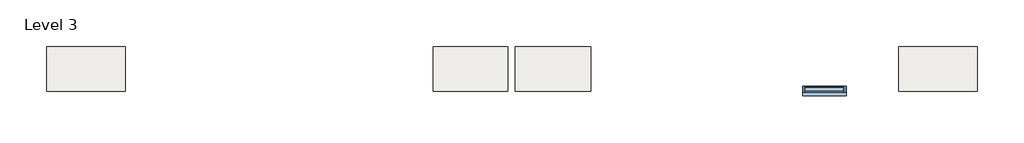
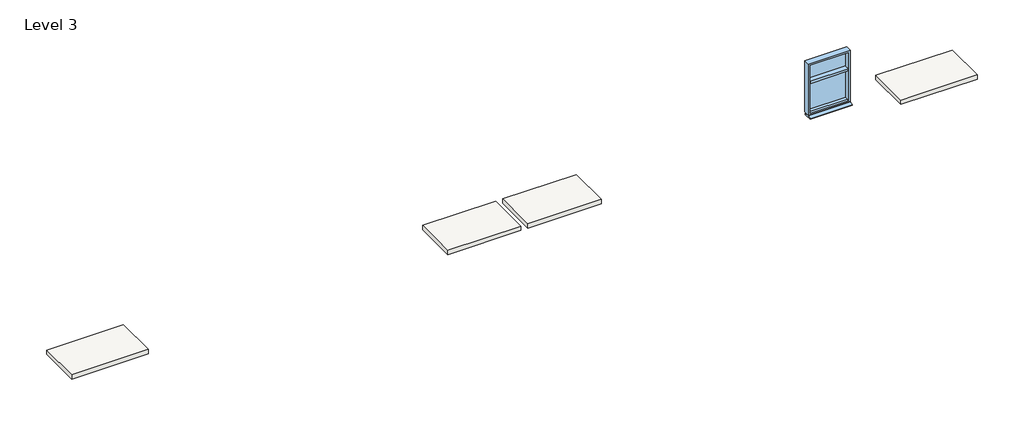
# One storey, part 2 of 3: 4 slabs, 1 window.
"""IFC4 building model written with IfcOpenShell, lengths in millimetres."""

import ifcopenshell
import ifcopenshell.guid

model = None  # the IFC model being written
_history = None  # IfcOwnerHistory: only IFC2X3 demands one
_inside = {}  # id of a spatial element -> (the spatial element, [elements in it])
_under = {}  # id of a project, library or spatial element -> (it, [spatial elements below it])
_declared = {}  # id of a project -> (the project, [libraries it declares])
_typed = {}  # id of a type object -> (the type object, [elements of that type])
_made_of = {}  # id of a material, layer set ... -> (it, [elements and type objects made of it])


def new_model(schema):
    """Start an empty IFC model of exactly this schema.

    Asked for "IFC4X3", IfcOpenShell would pick the latest addendum, in which some entities
    have other attributes; the version numbers below select the first issue.
    IFC2X3 requires an IfcOwnerHistory on every rooted entity: one is made here for all.
    """
    global model, _history
    if schema == "IFC4X3":
        model = ifcopenshell.file(schema_version=(4, 3, 0, 0))
    else:
        model = ifcopenshell.file(schema=schema)
    _inside.clear()
    _under.clear()
    _declared.clear()
    _typed.clear()
    _made_of.clear()
    _history = None
    if model.schema == "IFC2X3":
        org = make("IfcOrganization", Name="unknown")
        user = make(
            "IfcPersonAndOrganization",
            ThePerson=make("IfcPerson", FamilyName="unknown"),
            TheOrganization=org,
        )
        app = make(
            "IfcApplication",
            ApplicationDeveloper=org,
            Version="unknown",
            ApplicationFullName="unknown",
            ApplicationIdentifier="unknown",
        )
        _history = make(
            "IfcOwnerHistory",
            OwningUser=user,
            OwningApplication=app,
            ChangeAction="ADDED",
            CreationDate=0,
        )
    return model


def make(cls, **values):
    """One entity of the class cls with the attributes given. An attribute that is None is left unset."""
    return model.create_entity(
        cls, **{name: value for name, value in values.items() if value is not None}
    )


def rooted(cls, **values):
    """An entity with a GlobalId (a new one), such as an element, a storey or a relation."""
    return make(cls, GlobalId=ifcopenshell.guid.new(), OwnerHistory=_history, **values)


def si_unit(unit_type, name, prefix=None):
    """IfcSIUnit, for example si_unit("LENGTHUNIT", "METRE", prefix="MILLI")."""
    return make("IfcSIUnit", UnitType=unit_type, Prefix=prefix, Name=name)


def assignment(units):
    """IfcUnitAssignment: the units of a project."""
    return None if units is None else make("IfcUnitAssignment", Units=units)


def point(xyz):
    """IfcCartesianPoint."""
    return None if xyz is None else make("IfcCartesianPoint", Coordinates=xyz)


def direction(xyz):
    """IfcDirection."""
    return None if xyz is None else make("IfcDirection", DirectionRatios=xyz)


def frame(location, z_axis=None, x_axis=None):
    """IfcAxis2Placement3D, a coordinate frame: its origin and axes. An axis left out is left unset."""
    return make(
        "IfcAxis2Placement3D",
        Location=point(location),
        Axis=direction(z_axis),
        RefDirection=direction(x_axis),
    )


def origin():
    """The frame at (0, 0, 0) with its axes left unset."""
    return frame((0.0, 0.0, 0.0))


def place(relative_to, where):
    """IfcLocalPlacement: puts the frame where relative to a parent placement (None: the world)."""
    return make(
        "IfcLocalPlacement", PlacementRelTo=relative_to, RelativePlacement=where
    )


def context(
    kind, dimensions, precision=None, world=None, true_north=None, identifier=None
):
    """IfcGeometricRepresentationContext, for example the 3D "Model" context."""
    return make(
        "IfcGeometricRepresentationContext",
        ContextIdentifier=identifier,
        ContextType=kind,
        CoordinateSpaceDimension=dimensions,
        Precision=precision,
        WorldCoordinateSystem=world,
        TrueNorth=true_north,
    )


def project(units=None, contexts=None):
    """IfcProject with its units and contexts."""
    return rooted(
        "IfcProject",
        Name="project",
        RepresentationContexts=contexts,
        UnitsInContext=assignment(units),
    )


def spatial(cls, under=None, at=None, **own):
    """A site, building, storey or space (cls), placed at a placement, below another one or the project."""
    s = rooted(cls, ObjectPlacement=at, **own)
    if under is not None:
        _under.setdefault(under.id(), (under, []))[1].append(s)
    return s


def polyline(points):
    """IfcPolyline through the points."""
    return make("IfcPolyline", Points=[point(p) for p in points])


def outline(outer, holes=None, kind="AREA"):
    """IfcArbitraryClosedProfileDef: a profile drawn as a closed curve; with holes, ...WithVoids."""
    if holes is None:
        return make("IfcArbitraryClosedProfileDef", ProfileType=kind, OuterCurve=outer)
    return make(
        "IfcArbitraryProfileDefWithVoids",
        ProfileType=kind,
        OuterCurve=outer,
        InnerCurves=holes,
    )


def extrude(swept, where, along, depth):
    """IfcExtrudedAreaSolid: the profile swept, set in the frame where, extruded along a direction by depth."""
    return make(
        "IfcExtrudedAreaSolid",
        SweptArea=swept,
        Position=where,
        ExtrudedDirection=direction(along),
        Depth=depth,
    )


def faces_of(points, faces, orient=None, outer=None):
    """IfcFace entities. A face is a list of loops; a loop is a list of indices into points, from 0.

    orient and outer hold one flag for each loop. By default every Orientation is true, the
    first loop of a face is its IfcFaceOuterBound and the others are IfcFaceBound.
    """
    made = []
    for i, loops in enumerate(faces):
        bounds = []
        for j, loop in enumerate(loops):
            is_outer = j == 0 if outer is None else outer[i][j]
            bounds.append(
                make(
                    "IfcFaceOuterBound" if is_outer else "IfcFaceBound",
                    Bound=make("IfcPolyLoop", Polygon=[points[k] for k in loop]),
                    Orientation=True if orient is None else orient[i][j],
                )
            )
        made.append(make("IfcFace", Bounds=bounds))
    return made


def faceted_brep(points, faces, orient=None, outer=None, voids=None):
    """IfcFacetedBrep: a solid bounded by flat faces; with voids (closed shells), ...WithVoids."""
    shared = [point(p) for p in points]
    hull = make("IfcClosedShell", CfsFaces=faces_of(shared, faces, orient, outer))
    if voids is None:
        return make("IfcFacetedBrep", Outer=hull)
    return make(
        "IfcFacetedBrepWithVoids",
        Outer=hull,
        Voids=[
            make(cls, CfsFaces=faces_of(shared, fs, o, b)) for cls, fs, o, b in voids
        ],
    )


def shape(context_of_items, identifier, shape_type, items):
    """IfcShapeRepresentation: the items that make up one representation, for example the "Body"."""
    return make(
        "IfcShapeRepresentation",
        ContextOfItems=context_of_items,
        RepresentationIdentifier=identifier,
        RepresentationType=shape_type,
        Items=items,
    )


def source(mapping_origin, context_of_items, identifier, shape_type, items):
    """IfcRepresentationMap: a shape defined once, which mapped items show again and again."""
    return make(
        "IfcRepresentationMap",
        MappingOrigin=mapping_origin,
        MappedRepresentation=shape(context_of_items, identifier, shape_type, items),
    )


def transform(
    local_origin,
    x_axis=None,
    y_axis=None,
    z_axis=None,
    scale=None,
    scale2=None,
    scale3=None,
    uniform=True,
):
    """IfcCartesianTransformationOperator3D, or its non-uniform kind. x_axis, y_axis, z_axis: its Axis1, 2, 3."""
    if uniform:
        return make(
            "IfcCartesianTransformationOperator3D",
            Axis1=direction(x_axis),
            Axis2=direction(y_axis),
            LocalOrigin=point(local_origin),
            Scale=scale,
            Axis3=direction(z_axis),
        )
    return make(
        "IfcCartesianTransformationOperator3DnonUniform",
        Axis1=direction(x_axis),
        Axis2=direction(y_axis),
        LocalOrigin=point(local_origin),
        Scale=scale,
        Axis3=direction(z_axis),
        Scale2=scale2,
        Scale3=scale3,
    )


def mapped(mapping_source, mapping_target):
    """IfcMappedItem: shows the shape of a source again, moved by a transform."""
    return make(
        "IfcMappedItem", MappingSource=mapping_source, MappingTarget=mapping_target
    )


def made_of(thing, what):
    """Note that an element or type object is made of a material, layer set ...; save() writes the relation."""
    if what is not None:
        _made_of.setdefault(what.id(), (what, []))[1].append(thing)
    return thing


def element(
    cls,
    number,
    at=None,
    inside=None,
    cuts=None,
    type_object=None,
    material=None,
    context=None,
    identifier="Body",
    shape_type=None,
    held_by="IfcProductDefinitionShape",
    body=None,
    shapes=None,
    **own,
):
    """One element of the class cls, such as IfcWall. Its Tag is "e" and its number.

    at: its placement. inside: the storey or other place that contains it. cuts: it is an
    opening in that element (IfcRelVoidsElement). A single representation is given by context,
    identifier, shape_type and body (its items); several are given by shapes. held_by: the class
    of the entity that holds the representations. save() writes the other relations.
    """
    e = rooted(cls, Tag="e%d" % number, ObjectPlacement=at, **own)
    if body is not None:
        shapes = [shape(context, identifier, shape_type, body)]
    if shapes is not None:
        e.Representation = make(held_by, Representations=shapes)
    if inside is not None:
        _inside.setdefault(inside.id(), (inside, []))[1].append(e)
    if cuts is not None:
        rooted(
            "IfcRelVoidsElement", RelatingBuildingElement=cuts, RelatedOpeningElement=e
        )
    if type_object is not None:
        _typed.setdefault(type_object.id(), (type_object, []))[1].append(e)
    return made_of(e, material)


def aggregate(whole, parts):
    """IfcRelAggregates: a whole, such as a stair, and the parts it consists of."""
    return rooted("IfcRelAggregates", RelatingObject=whole, RelatedObjects=parts)


def save(model, path):
    """Write the relations noted so far, then the file.

    IfcRelAggregates (storeys below a building ...), IfcRelContainedInSpatialStructure (elements
    in a storey), IfcRelDefinesByType, IfcRelAssociatesMaterial and IfcRelDeclares: one each for
    every whole, place, type object, material and project.
    """
    for whole, parts in _under.values():
        aggregate(whole, parts)
    for where, things in _inside.values():
        rooted(
            "IfcRelContainedInSpatialStructure",
            RelatedElements=things,
            RelatingStructure=where,
        )
    for kind, things in _typed.values():
        rooted("IfcRelDefinesByType", RelatedObjects=things, RelatingType=kind)
    for what, things in _made_of.values():
        rooted("IfcRelAssociatesMaterial", RelatedObjects=things, RelatingMaterial=what)
    for by, libraries in _declared.values():
        rooted("IfcRelDeclares", RelatingContext=by, RelatedDefinitions=libraries)
    model.write(path)


def window_a1d3f74f(model_context):
    return source(origin(), model_context, "Body", "SolidModel", [
        faceted_brep([(700.0, -149.5, 800.0), (-700.0, -149.5, 800.0), (-700.0, 50.5, 800.0), (700.0, 50.5, 800.0), (700.0, 50.5, 2600.0), (700.0, -149.5, 2600.0), (-700.0, 50.5, 2600.0), (630.0, 50.5, 2530.0), (-630.0, 50.5, 2530.0), (-630.0, 50.5, 870.0), (630.0, 50.5, 870.0), (-700.0, -149.5, 2600.0), (-630.0, -149.5, 2530.0), (630.0, -149.5, 2530.0), (630.0, -149.5, 850.0), (-630.0, -149.5, 850.0), (-630.0, -94.5, 870.0), (630.0, -94.5, 870.0)], [[[0, 1, 2, 3]], [[4, 5, 0, 3]], [[2, 6, 4, 3], [7, 8, 9, 10]], [[2, 1, 11, 6]], [[0, 5, 11, 1], [12, 13, 14, 15]], [[12, 15, 16, 9, 8]], [[14, 17, 16, 15]], [[7, 10, 17, 14, 13]], [[9, 16, 17, 10]], [[12, 8, 7, 13]], [[5, 4, 6, 11]]]),
        extrude(outline(polyline([(630.0, 15.0), (-630.0, 15.0), (-630.0, 25.0), (630.0, 25.0), (630.0, 15.0)])), frame((0.0, 0.0, 870.0), z_axis=(0.0, 0.0, 1.0), x_axis=(1.0, 0.0, 0.0)), (0.0, 0.0, 1.0), 1030.0),
        extrude(outline(polyline([(630.0, -149.5), (-630.0, -149.5), (-630.0, 50.5), (630.0, 50.5), (630.0, -149.5)])), frame((0.0, 0.0, 1890.0), z_axis=(0.0, 0.0, 1.0), x_axis=(1.0, 0.0, 0.0)), (0.0, 0.0, 1.0), 80.0),
        extrude(outline(polyline([(-149.5, 790.0), (0.0, 790.0), (0.0, 730.0), (-269.5, 730.0), (-269.5, 760.0), (-149.5, 790.0)])), frame((-700.0, 0.0, 0.0), z_axis=(1.0, 0.0, 0.0), x_axis=(0.0, 1.0, 0.0)), (0.0, 0.0, 1.0), 1400.0),
        extrude(outline(polyline([(630.0, 15.0), (-630.0, 15.0), (-630.0, 25.0), (630.0, 25.0), (630.0, 15.0)])), frame((0.0, 0.0, 1960.0), z_axis=(0.0, 0.0, 1.0), x_axis=(1.0, 0.0, 0.0)), (0.0, 0.0, 1.0), 575.0),
    ])


model = new_model("IFC4")

# Units and contexts
model_context = context("Model", 3, world=origin())
ifc_project = project(units=[si_unit("LENGTHUNIT", "METRE", prefix="MILLI")], contexts=[model_context])

# Site, building, storey
site = spatial("IfcSite", under=ifc_project)
building = spatial("IfcBuilding", under=site)
storey = spatial("IfcBuildingStorey", under=building, Name="Level 3", Elevation=5400.0)

# Slabs
placement = place(None, origin())
element("IfcSlab", 1, ObjectType="Generic 150mm", at=placement, inside=storey, context=model_context, shape_type="SweptSolid", body=[
    extrude(outline(polyline([(-111534.8867011, -98807.3209837), (-111534.8867011, -100240.184392), (-114069.8867011, -100240.184392), (-114069.8867011, -98807.3209837), (-111534.8867011, -98807.3209837)])), frame((0.0, 0.0, 5245.6), z_axis=(0.0, 0.0, 1.0), x_axis=(1.0, 0.0, 0.0)), (0.0, 0.0, 1.0), 150.0),
])
element("IfcSlab", 2, ObjectType="Generic 150mm", at=placement, inside=storey, context=model_context, shape_type="SweptSolid", body=[
    extrude(outline(polyline([(-101609.8867011, -98807.3209837), (-99199.8867011, -98807.3209837), (-99199.8867011, -100240.184392), (-101609.8867011, -100240.184392), (-101609.8867011, -98807.3209837)])), frame((0.0, 0.0, 5245.6), z_axis=(0.0, 0.0, 1.0), x_axis=(1.0, 0.0, 0.0)), (0.0, 0.0, 1.0), 150.0),
])
element("IfcSlab", 3, ObjectType="Generic 150mm", at=placement, inside=storey, context=model_context, shape_type="SweptSolid", body=[
    extrude(outline(polyline([(-96528.8867011, -98807.3209837), (-96528.8867011, -100240.184392), (-98958.8867011, -100240.184392), (-98958.8867011, -98807.3209837), (-96528.8867011, -98807.3209837)])), frame((0.0, 0.0, 5245.6), z_axis=(0.0, 0.0, 1.0), x_axis=(1.0, 0.0, 0.0)), (0.0, 0.0, 1.0), 150.0),
])
element("IfcSlab", 4, ObjectType="Generic 150mm", at=placement, inside=storey, context=model_context, shape_type="SweptSolid", body=[
    extrude(outline(polyline([(-86603.8867011, -98807.3209837), (-84068.8867011, -98807.3209837), (-84068.8867011, -100240.184392), (-86603.8867011, -100240.184392), (-86603.8867011, -98807.3209837)])), frame((0.0, 0.0, 5245.6), z_axis=(0.0, 0.0, 1.0), x_axis=(1.0, 0.0, 0.0)), (0.0, 0.0, 1.0), 150.0),
])

# Window
window_shape = window_a1d3f74f(model_context)
element("IfcWindow", 5, at=placement, inside=storey, context=model_context, shape_type="MappedRepresentation", body=[
    mapped(window_shape, transform((-89001.8043563, -100130.8209837, 5171.2885556), x_axis=(1.0, 0.0, 0.0), y_axis=(0.0, 1.0, 0.0), z_axis=(0.0, 0.0, 1.0))),
])

save(model, "model.ifc")
